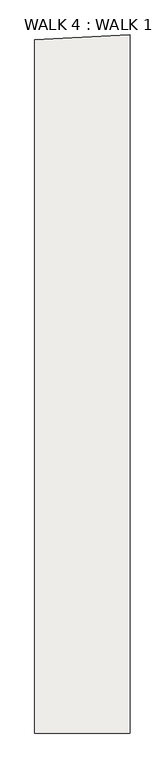
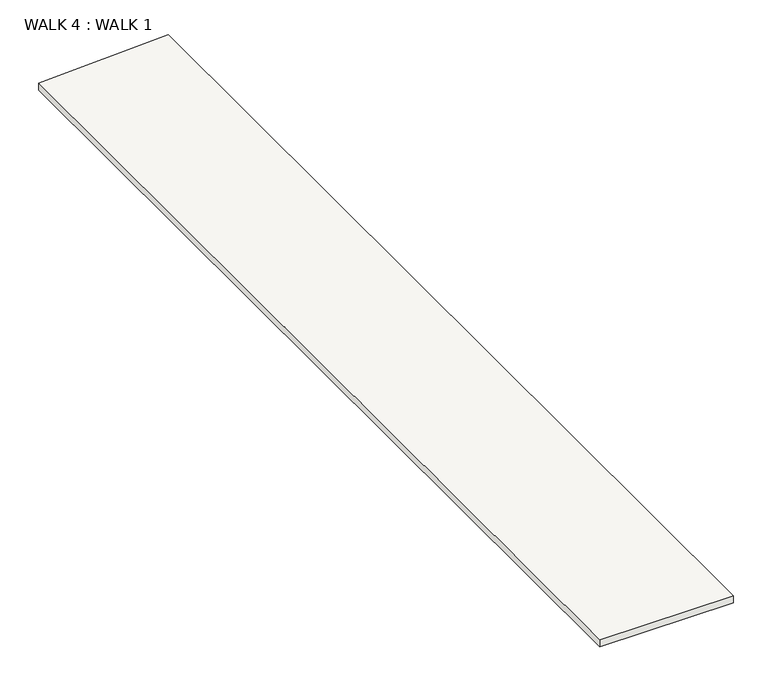
"""IFC4 building model written with IfcOpenShell, lengths in millimetres: slab geometry, WALK 4 : WALK 1."""

from ifc_helpers import new_model, si_unit, frame, origin, place, context, project, spatial, polyline, outline, extrude, source, transform, mapped, element, save


def walk_4_walk_1_77378d9e(model_context):
    return source(origin(), model_context, "Body", "SweptSolid", [
        extrude(outline(polyline([(235.1161717, -30683.533805), (235.1161717, -24025.966917), (1149.5161717, -23978.0452437), (1149.5161717, -30683.533805), (235.1161717, -30683.533805)])), frame((0.0, 0.0, 7620.0), z_axis=(0.0, 0.0, 1.0), x_axis=(1.0, 0.0, 0.0)), (0.0, 0.0, 1.0), 50.8),
    ])


if __name__ == "__main__":
    model = new_model("IFC4")
    model_context = context("Model", 3, world=origin())
    ifc_project = project(units=[si_unit("LENGTHUNIT", "METRE", prefix="MILLI")], contexts=[model_context])
    site = spatial("IfcSite", under=ifc_project)
    building = spatial("IfcBuilding", under=site)
    placement = place(None, origin())
    walk_4_walk_1_shape = walk_4_walk_1_77378d9e(model_context)
    element("IfcSlab", 1, ObjectType="WALK 4 : WALK 1", at=placement, inside=building, context=model_context, shape_type="MappedRepresentation", body=[
        mapped(walk_4_walk_1_shape, transform((0.0, 0.0, 0.0), x_axis=(1.0, 0.0, 0.0), y_axis=(0.0, 1.0, 0.0), z_axis=(0.0, 0.0, 1.0))),
    ])
    save(model, "model.ifc")
